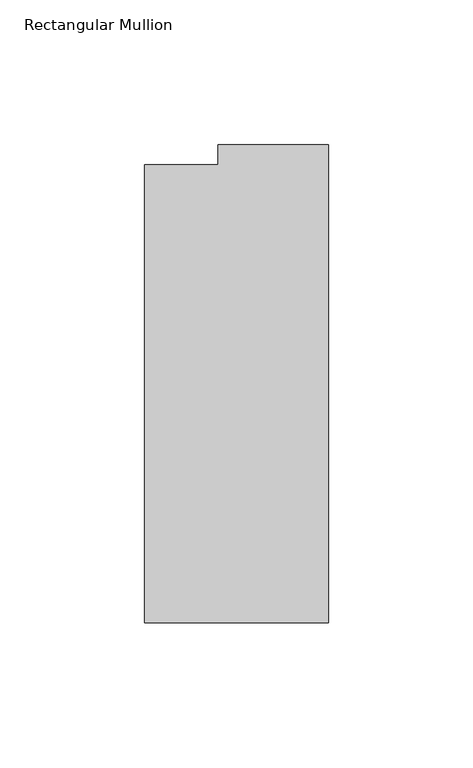
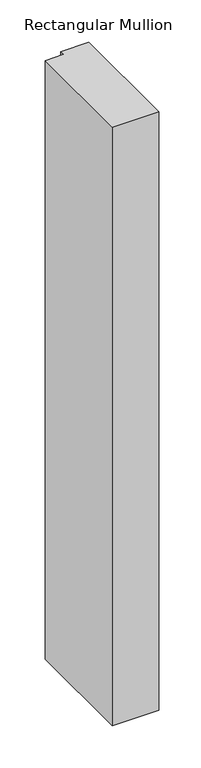
"""IFC4 building model written with IfcOpenShell, lengths in millimetres: member geometry, Rectangular Mullion."""

from ifc_helpers import new_model, si_unit, frame, origin, place, context, project, spatial, polyline, outline, extrude, source, transform, mapped, element, save


def rectangular_mullion_7c120618(model_context):
    return source(origin(), model_context, "Body", "SweptSolid", [
        extrude(outline(polyline([(-38.1, 32.54375), (0.0, 32.54375), (0.0, -132.55625), (-63.5, -132.55625), (-63.5, 25.58415), (-38.1, 25.58415), (-38.1, 32.54375)])), frame((0.0, 0.0, -863.6), z_axis=(0.0, 0.0, 1.0), x_axis=(1.0, 0.0, 0.0)), (0.0, 0.0, 1.0), 863.6),
    ])


if __name__ == "__main__":
    model = new_model("IFC4")
    model_context = context("Model", 3, world=origin())
    ifc_project = project(units=[si_unit("LENGTHUNIT", "METRE", prefix="MILLI")], contexts=[model_context])
    site = spatial("IfcSite", under=ifc_project)
    building = spatial("IfcBuilding", under=site)
    placement = place(None, origin())
    rectangular_mullion_shape = rectangular_mullion_7c120618(model_context)
    element("IfcMember", 1, ObjectType="Rectangular Mullion", at=placement, inside=building, context=model_context, shape_type="MappedRepresentation", body=[
        mapped(rectangular_mullion_shape, transform((0.0, 0.0, 0.0), x_axis=(1.0, 0.0, 0.0), y_axis=(0.0, 1.0, 0.0), z_axis=(0.0, 0.0, 1.0))),
    ])
    save(model, "model.ifc")
